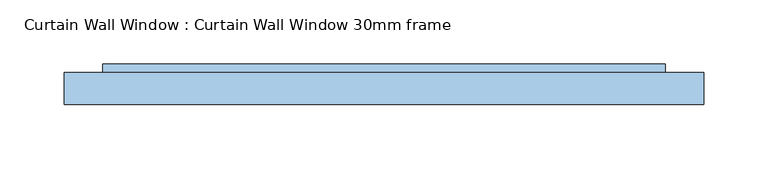
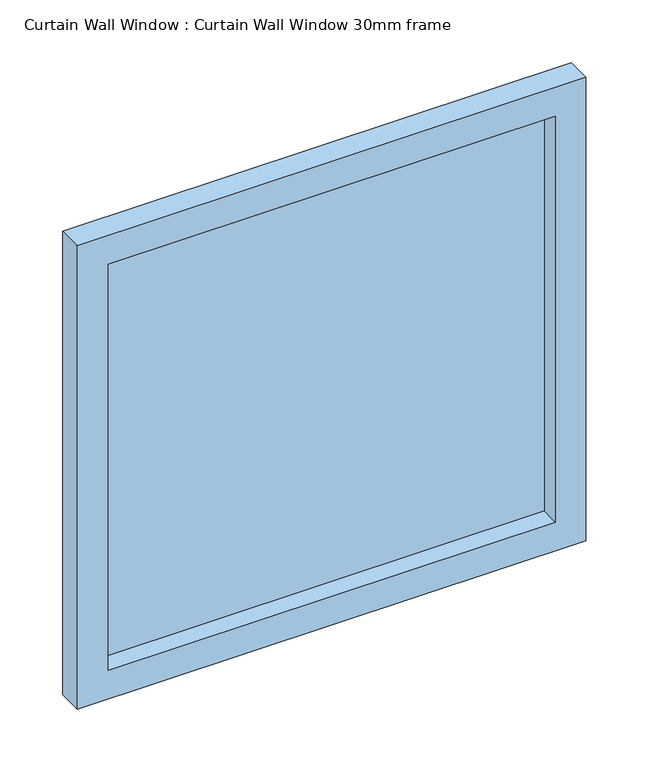
"""IFC4 building model written with IfcOpenShell, lengths in millimetres: window geometry, Curtain Wall Window : Curtain Wall Window 30mm frame."""

from ifc_helpers import new_model, si_unit, frame, origin, place, context, project, spatial, polyline, outline, extrude, source, transform, mapped, element, save


def curtain_wall_window_curtain_wall_window_30mm_frame_200d96f1(model_context):
    return source(origin(), model_context, "Body", "SweptSolid", [
        extrude(outline(polyline([(219.5000232, 19.05), (-219.5000232, 19.05), (-219.5000232, 31.75), (219.5000232, 31.75), (219.5000232, 19.05)])), frame((0.0, 0.0, 30.0), z_axis=(0.0, 0.0, 1.0), x_axis=(1.0, 0.0, 0.0)), (0.0, 0.0, 1.0), 420.9999999),
        extrude(outline(polyline([(480.9999999, -249.5000232), (0.0, -249.5000232), (0.0, 249.5000232), (480.9999999, 249.5000232), (480.9999999, -249.5000232)]), holes=[polyline([(450.9999999, -219.5000232), (450.9999999, 219.5000232), (30.0, 219.5000232), (30.0, -219.5000232), (450.9999999, -219.5000232)])]), frame((0.0, 0.0, 0.0), z_axis=(0.0, 1.0, 0.0), x_axis=(0.0, 0.0, 1.0)), (0.0, 0.0, 1.0), 25.0),
    ])


if __name__ == "__main__":
    model = new_model("IFC4")
    model_context = context("Model", 3, world=origin())
    ifc_project = project(units=[si_unit("LENGTHUNIT", "METRE", prefix="MILLI")], contexts=[model_context])
    site = spatial("IfcSite", under=ifc_project)
    building = spatial("IfcBuilding", under=site)
    placement = place(None, origin())
    curtain_wall_window_curtain_wall_window_30mm_frame_shape = curtain_wall_window_curtain_wall_window_30mm_frame_200d96f1(model_context)
    element("IfcWindow", 1, ObjectType="Curtain Wall Window : Curtain Wall Window 30mm frame", at=placement, inside=building, context=model_context, shape_type="MappedRepresentation", body=[
        mapped(curtain_wall_window_curtain_wall_window_30mm_frame_shape, transform((0.0, 0.0, 0.0), x_axis=(1.0, 0.0, 0.0), y_axis=(0.0, 1.0, 0.0), z_axis=(0.0, 0.0, 1.0))),
    ])
    save(model, "model.ifc")
